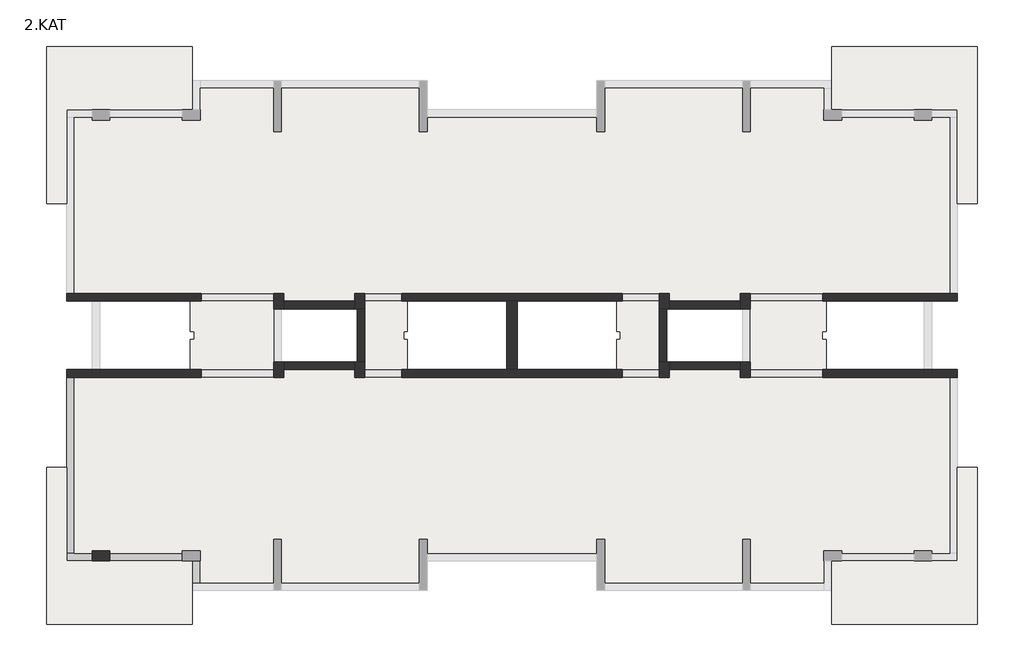
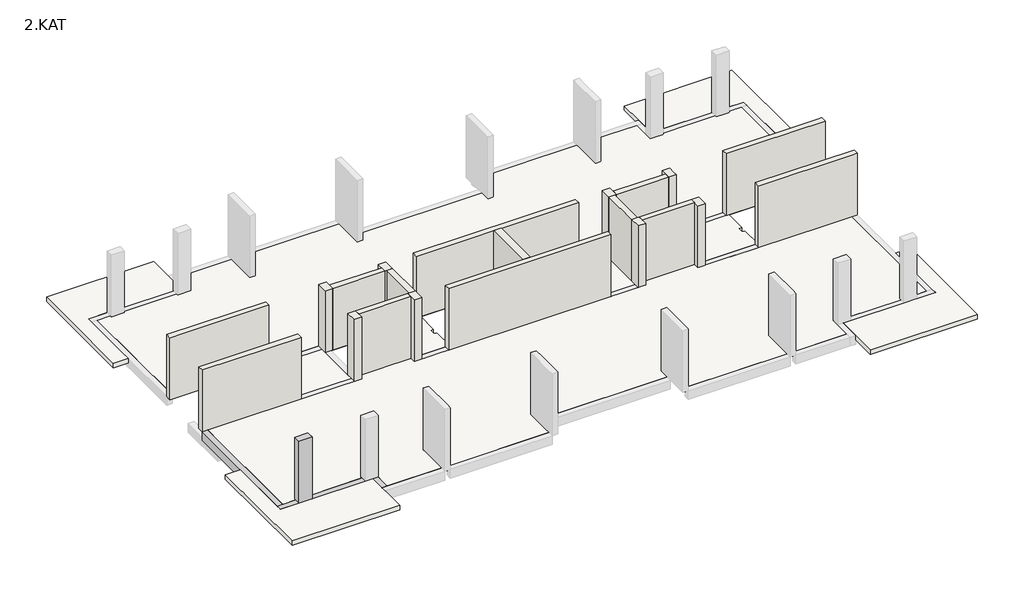
# One storey, part 1 of 2: 21 walls, 10 slabs, 4 beams, 1 column.
"""IFC4 building model written with IfcOpenShell, lengths in millimetres."""

from ifc_helpers import new_model, si_unit, frame, origin, place, context, project, spatial, polyline, outline, extrude, faceted_brep, element, save

model = new_model("IFC4")

# Units and contexts
model_context = context("Model", 3, world=origin())
ifc_project = project(units=[si_unit("LENGTHUNIT", "METRE", prefix="MILLI")], contexts=[model_context])

# Site, building, storey
site = spatial("IfcSite", under=ifc_project)
building = spatial("IfcBuilding", under=site)
storey = spatial("IfcBuildingStorey", under=building, Name="2.KAT", Elevation=6500.0)

# Beams
placement = place(None, origin())
element("IfcBeam", 1, ObjectType="0300x0500mm", at=placement, inside=storey, context=model_context, shape_type="Brep", body=[
    faceted_brep([(-12313.9158247, -6936.2658194, 6500.0), (-12313.9158247, -7786.2657952, 6500.0), (-12013.9158247, -7786.2657952, 6500.0), (-12013.9158247, -6936.2658194, 6500.0), (-12013.9158247, -7786.2657952, 6250.0), (-12013.9158247, -7786.2657952, 6000.0), (-12013.9158247, -6936.2658194, 6000.0), (-12013.9158247, -6936.2658194, 6250.0), (-12313.9158247, -7786.2657952, 6000.0), (-12313.9158247, -6936.2658194, 6000.0)], [[[0, 1, 2, 3]], [[3, 2, 4, 5, 6, 7]], [[6, 5, 8, 9]], [[1, 0, 9, 8]], [[2, 1, 8, 5, 4]], [[0, 3, 7, 6, 9]]]),
])
element("IfcBeam", 2, ObjectType="0300x0500mm", at=placement, inside=storey, context=model_context, shape_type="Brep", body=[
    faceted_brep([(-15563.9158246, -6936.2657952, 6500.0), (-12713.9143553, -6936.2657952, 6500.0), (-12713.9143553, -6636.2657952, 6500.0), (-15563.9158246, -6636.2657952, 6500.0), (-12713.9143553, -6636.2657952, 6250.0), (-12713.9143553, -6636.2657952, 6000.0), (-15563.9158246, -6636.2657952, 6000.0), (-15563.9158246, -6636.2657952, 6250.0), (-12713.9143553, -6936.2657952, 6000.0), (-15563.9158246, -6936.2657952, 6000.0), (-15563.9158246, -6936.2657952, 6250.0), (-12713.9143553, -6936.2657952, 6250.0)], [[[0, 1, 2, 3]], [[3, 2, 4, 5, 6, 7]], [[6, 5, 8, 9]], [[1, 0, 10, 9, 8, 11]], [[0, 3, 7, 6, 9, 10]], [[8, 5, 4, 2, 1, 11]]]),
])
element("IfcBeam", 3, ObjectType="0300x0500mm", at=placement, inside=storey, context=model_context, shape_type="Brep", body=[
    faceted_brep([(-17263.9481409, -6936.2657952, 6500.0), (-16263.9481409, -6936.2657952, 6500.0), (-16263.9481409, -6636.2657952, 6500.0), (-16963.9160614, -6636.2657952, 6500.0), (-17263.9481409, -6636.2657952, 6500.0), (-16263.9481409, -6636.2657952, 6000.0), (-16963.9481409, -6636.2657952, 6000.0), (-17263.9481409, -6636.2657952, 6000.0), (-17263.9481409, -6636.2657952, 6250.0), (-16263.9481409, -6636.2657952, 6250.0), (-16263.9481409, -6936.2657952, 6000.0), (-17263.9481409, -6936.2657952, 6000.0), (-17263.9481409, -6936.2657952, 6250.0), (-16263.9481409, -6936.2657952, 6250.0)], [[[0, 1, 2, 3, 4]], [[5, 6, 7, 8, 4, 3, 2, 9]], [[7, 6, 5, 10, 11]], [[1, 0, 12, 11, 10, 13]], [[0, 4, 8, 7, 11, 12]], [[10, 5, 9, 2, 1, 13]]]),
])
element("IfcBeam", 4, ObjectType="0300x0500mm", at=placement, inside=storey, context=model_context, shape_type="Brep", body=[
    faceted_brep([(-17263.9481409, 313.2341948, 6500.0), (-16963.9481409, 313.2341948, 6500.0), (-16963.9481409, 313.2341948, 6000.0), (-17263.9481409, 313.2341948, 6000.0), (-17263.9481409, -3236.2658285, 6500.0), (-17263.9481409, -6636.2657952, 6500.0), (-16963.9481409, -6636.2657952, 6500.0), (-16963.9481409, -6636.2657952, 6250.0), (-16963.9481409, -6636.2657952, 6000.0), (-17263.9481409, -6636.2657952, 6000.0), (-17263.9481409, -6636.2657952, 6250.0)], [[[0, 1, 2, 3]], [[1, 0, 4, 5, 6]], [[2, 1, 6, 7, 8]], [[3, 2, 8, 9]], [[0, 3, 9, 10, 5, 4]], [[6, 5, 10, 9, 8, 7]]]),
])

# Column
element("IfcColumn", 5, ObjectType="0700x0400mm", at=placement, inside=storey, context=model_context, shape_type="Brep", body=[
    faceted_brep([(-15563.9481409, -6536.2657952, 6500.0), (-15563.9481409, -6936.2657952, 6500.0), (-16263.9481409, -6936.2657952, 6500.0), (-16263.9481409, -6536.2657952, 6500.0), (-15563.9481409, -6536.2657952, 9750.0), (-15563.9481409, -6536.2657952, 10000.0), (-15563.9481409, -6636.2657952, 10000.0), (-15563.9481409, -6936.2657952, 10000.0), (-16263.9481409, -6936.2657952, 10000.0), (-16263.9481409, -6636.2657952, 10000.0), (-16263.9481409, -6536.2657952, 10000.0), (-16263.9481409, -6536.2657952, 9750.0)], [[[0, 1, 2, 3]], [[1, 0, 4, 5, 6, 7]], [[2, 1, 7, 8]], [[3, 2, 8, 9, 10, 11]], [[0, 3, 11, 10, 5, 4]], [[8, 7, 6, 5, 10, 9]]]),
])

# Slabs
element("IfcSlab", 6, at=placement, inside=storey, context=model_context, shape_type="Brep", body=[
    faceted_brep([(-16263.9481409, 10563.7341698, 6250.0), (-16263.9481409, 10463.7341838, 6250.0), (-15563.9481409, 10463.7341838, 6250.0), (-15563.9481409, 10563.7341698, 6250.0), (-12713.9481409, 10563.7341698, 6250.0), (-12713.9481409, 10463.7341838, 6250.0), (-12013.9481409, 10463.7341838, 6250.0), (-12013.9481409, 11713.7202154, 6250.0), (-9113.9486144, 11713.7202154, 6250.0), (-9113.9486144, 10013.7339375, 6250.0), (-8813.9486144, 10013.7339375, 6250.0), (-8813.9486144, 11713.7202154, 6250.0), (-3363.9486144, 11713.7202154, 6250.0), (-3363.9486144, 10013.7339375, 6250.0), (-3063.9486144, 10013.7339375, 6250.0), (-3063.9486144, 10563.7341837, 6250.0), (3636.0846397, 10563.7341837, 6250.0), (3636.0846397, 10013.7339375, 6250.0), (3936.0846397, 10013.7339375, 6250.0), (3936.0846397, 11713.7202154, 6250.0), (9386.0513856, 11713.7202154, 6250.0), (9386.0513856, 10013.7339375, 6250.0), (9686.0513856, 10013.7339375, 6250.0), (9686.0513856, 11713.7202154, 6250.0), (12586.0195429, 11713.7202154, 6250.0), (12586.0195429, 10463.7341838, 6250.0), (13286.0518591, 10463.7341838, 6250.0), (13286.0518591, 10563.7341837, 6250.0), (16136.0518591, 10563.7341837, 6250.0), (16136.0518591, 10463.7341838, 6250.0), (16836.0518591, 10463.7341838, 6250.0), (16836.0518591, 10563.7341837, 6250.0), (17536.0197797, 10563.7341837, 6250.0), (17536.0197797, 3613.7341837, 6250.0), (9286.0513856, 3613.7341837, 6250.0), (9286.0513856, 3313.7509789, 6250.0), (6486.0513856, 3313.7509789, 6250.0), (6486.0513856, 3613.7341837, 6250.0), (-5913.9486144, 3613.7341837, 6250.0), (-5913.9486144, 3313.7471696, 6250.0), (-8713.9486144, 3313.7471696, 6250.0), (-8713.9486144, 3613.7341837, 6250.0), (-16963.9481409, 3613.7341837, 6250.0), (-16963.9481409, 10563.7341698, 6250.0), (-16263.9481409, 10563.7341698, 6500.0), (-16963.9481409, 10563.7341698, 6500.0), (-16963.9481409, 3613.7341837, 6500.0), (-8713.9486144, 3613.7341837, 6500.0), (-8713.9486144, 3313.7471696, 6500.0), (-5913.9486144, 3313.7471696, 6500.0), (-5913.9486144, 3613.7341837, 6500.0), (6486.0513856, 3613.7341837, 6500.0), (6486.0513856, 3313.7509789, 6500.0), (9286.0513856, 3313.7509789, 6500.0), (9286.0513856, 3613.7341837, 6500.0), (17536.0197797, 3613.7341837, 6500.0), (17536.0197797, 10563.7341837, 6500.0), (16836.0518591, 10563.7341837, 6500.0), (16836.0518591, 10463.7341838, 6500.0), (16136.0518591, 10463.7341838, 6500.0), (16136.0518591, 10563.7341837, 6500.0), (13286.0518591, 10563.7341837, 6500.0), (13286.0518591, 10463.7341838, 6500.0), (12586.0195429, 10463.7341838, 6500.0), (12586.0195429, 10863.734431, 6500.0), (12586.0195429, 11713.7202154, 6500.0), (9686.0513856, 11713.7202154, 6500.0), (9686.0513856, 10013.7339375, 6500.0), (9386.0513856, 10013.7339375, 6500.0), (9386.0513856, 11713.7202154, 6500.0), (3936.0846397, 11713.7202154, 6500.0), (3936.0846397, 10013.7339375, 6500.0), (3636.0846397, 10013.7339375, 6500.0), (3636.0846397, 10563.7341837, 6500.0), (-3063.9486144, 10563.7341837, 6500.0), (-3063.9486144, 10013.7339375, 6500.0), (-3363.9486144, 10013.7339375, 6500.0), (-3363.9486144, 11713.7202154, 6500.0), (-8813.9486144, 11713.7202154, 6500.0), (-8813.9486144, 10013.7339375, 6500.0), (-9113.9486144, 10013.7339375, 6500.0), (-9113.9486144, 11713.7202154, 6500.0), (-12013.9481409, 11713.7202154, 6500.0), (-12013.9481409, 10863.7341752, 6500.0), (-12013.9481409, 10463.7341838, 6500.0), (-12713.9481409, 10463.7341838, 6500.0), (-12713.9481409, 10563.7341698, 6500.0), (-15563.9481409, 10563.7341698, 6500.0), (-15563.9481409, 10463.7341838, 6500.0), (-16263.9481409, 10463.7341838, 6500.0)], [[[0, 1, 2, 3, 4, 5, 6, 7, 8, 9, 10, 11, 12, 13, 14, 15, 16, 17, 18, 19, 20, 21, 22, 23, 24, 25, 26, 27, 28, 29, 30, 31, 32, 33, 34, 35, 36, 37, 38, 39, 40, 41, 42, 43]], [[44, 45, 46, 47, 48, 49, 50, 51, 52, 53, 54, 55, 56, 57, 58, 59, 60, 61, 62, 63, 64, 65, 66, 67, 68, 69, 70, 71, 72, 73, 74, 75, 76, 77, 78, 79, 80, 81, 82, 83, 84, 85, 86, 87, 88, 89]], [[1, 0, 44, 89]], [[2, 1, 89, 88]], [[3, 2, 88, 87]], [[4, 3, 87, 86]], [[5, 4, 86, 85]], [[6, 5, 85, 84]], [[7, 6, 84, 83, 82]], [[8, 7, 82, 81]], [[9, 8, 81, 80]], [[10, 9, 80, 79]], [[11, 10, 79, 78]], [[12, 11, 78, 77]], [[13, 12, 77, 76]], [[14, 13, 76, 75]], [[15, 14, 75, 74]], [[16, 15, 74, 73]], [[17, 16, 73, 72]], [[18, 17, 72, 71]], [[19, 18, 71, 70]], [[20, 19, 70, 69]], [[21, 20, 69, 68]], [[22, 21, 68, 67]], [[23, 22, 67, 66]], [[24, 23, 66, 65]], [[25, 24, 65, 64, 63]], [[26, 25, 63, 62]], [[27, 26, 62, 61]], [[28, 27, 61, 60]], [[29, 28, 60, 59]], [[30, 29, 59, 58]], [[31, 30, 58, 57]], [[32, 31, 57, 56]], [[33, 32, 56, 55]], [[34, 33, 55, 54]], [[35, 34, 54, 53]], [[36, 35, 53, 52]], [[37, 36, 52, 51]], [[38, 37, 51, 50]], [[39, 38, 50, 49]], [[40, 39, 49, 48]], [[41, 40, 48, 47]], [[42, 41, 47, 46]], [[43, 42, 46, 45]], [[0, 43, 45, 44]]]),
])
element("IfcSlab", 7, at=placement, inside=storey, context=model_context, shape_type="Brep", body=[
    faceted_brep([(-8713.9486144, 313.7342048, 6250.0), (-8713.9486144, 613.7303849, 6250.0), (-5913.9486144, 613.7303849, 6250.0), (-5913.9486144, 313.7391534, 6250.0), (6486.0513856, 313.7391534, 6250.0), (6486.0513856, 613.7391534, 6250.0), (9286.0513856, 613.7391534, 6250.0), (9286.0513856, 313.7342048, 6250.0), (17536.0197797, 313.7342048, 6250.0), (17536.0197797, -6636.2658004, 6250.0), (16836.0518591, -6636.2658004, 6250.0), (16836.0518591, -6536.2657952, 6250.0), (16136.0518591, -6536.2657952, 6250.0), (16136.0518591, -6636.2658004, 6250.0), (13286.0518591, -6636.2658004, 6250.0), (13286.0518591, -6536.2657952, 6250.0), (12586.0518591, -6536.2657952, 6250.0), (12586.0518591, -7786.2657952, 6250.0), (9686.0513856, -7786.2657952, 6250.0), (9686.0513856, -6086.2657952, 6250.0), (9386.0513856, -6086.2657952, 6250.0), (9386.0513856, -7786.2657952, 6250.0), (3936.0846397, -7786.2657952, 6250.0), (3936.0846397, -6086.2657952, 6250.0), (3636.0846397, -6086.2657952, 6250.0), (3636.0846397, -6636.2657952, 6250.0), (-3063.9486144, -6636.2657952, 6250.0), (-3063.9486144, -6086.2657952, 6250.0), (-3363.9486144, -6086.2657952, 6250.0), (-3363.9486144, -7786.2657952, 6250.0), (-8813.9486144, -7786.2657952, 6250.0), (-8813.9486144, -6086.2657952, 6250.0), (-9113.9486144, -6086.2657952, 6250.0), (-9113.9486144, -7786.2657952, 6250.0), (-12013.9158247, -7786.2657952, 6250.0), (-12013.9158247, -6536.2657952, 6250.0), (-12713.9481409, -6536.2657952, 6250.0), (-12713.9481409, -6636.2657952, 6250.0), (-15563.9481409, -6636.2657952, 6250.0), (-15563.9481409, -6536.2657952, 6250.0), (-16263.9481409, -6536.2657952, 6250.0), (-16263.9481409, -6636.2657952, 6250.0), (-16963.9160614, -6636.2657952, 6250.0), (-16963.9160614, 313.7342048, 6250.0), (-8713.9486144, 313.7342048, 6500.0), (-16963.9160614, 313.7342048, 6500.0), (-16963.9160614, 313.2341948, 6500.0), (-16963.9160614, -6636.2657952, 6500.0), (-16263.9481409, -6636.2657952, 6500.0), (-16263.9481409, -6536.2657952, 6500.0), (-15563.9481409, -6536.2657952, 6500.0), (-15563.9481409, -6636.2657952, 6500.0), (-12713.9481409, -6636.2657952, 6500.0), (-12713.9481409, -6536.2657952, 6500.0), (-12013.9158247, -6536.2657952, 6500.0), (-12013.9158247, -6936.2658194, 6500.0), (-12013.9158247, -7786.2657952, 6500.0), (-9113.9486144, -7786.2657952, 6500.0), (-9113.9486144, -6086.2657952, 6500.0), (-8813.9486144, -6086.2657952, 6500.0), (-8813.9486144, -7786.2657952, 6500.0), (-3363.9486144, -7786.2657952, 6500.0), (-3363.9486144, -6086.2657952, 6500.0), (-3063.9486144, -6086.2657952, 6500.0), (-3063.9486144, -6636.2657952, 6500.0), (3636.0846397, -6636.2657952, 6500.0), (3636.0846397, -6086.2657952, 6500.0), (3936.0846397, -6086.2657952, 6500.0), (3936.0846397, -7786.2657952, 6500.0), (9386.0513856, -7786.2657952, 6500.0), (9386.0513856, -6086.2657952, 6500.0), (9686.0513856, -6086.2657952, 6500.0), (9686.0513856, -7786.2657952, 6500.0), (12586.0518591, -7786.2657952, 6500.0), (12586.0518591, -6936.2657952, 6500.0), (12586.0518591, -6536.2657952, 6500.0), (13286.0518591, -6536.2657952, 6500.0), (13286.0518591, -6636.2658004, 6500.0), (16136.0518591, -6636.2658004, 6500.0), (16136.0518591, -6536.2657952, 6500.0), (16836.0518591, -6536.2657952, 6500.0), (16836.0518591, -6636.2658004, 6500.0), (17536.0197797, -6636.2658004, 6500.0), (17536.0197797, 313.7342048, 6500.0), (9286.0513856, 313.7342048, 6500.0), (9286.0513856, 613.7391534, 6500.0), (6486.0513856, 613.7391534, 6500.0), (6486.0513856, 313.7391534, 6500.0), (-5913.9486144, 313.7391534, 6500.0), (-5913.9486144, 613.7303849, 6500.0), (-8713.9486144, 613.7303849, 6500.0)], [[[0, 1, 2, 3, 4, 5, 6, 7, 8, 9, 10, 11, 12, 13, 14, 15, 16, 17, 18, 19, 20, 21, 22, 23, 24, 25, 26, 27, 28, 29, 30, 31, 32, 33, 34, 35, 36, 37, 38, 39, 40, 41, 42, 43]], [[44, 45, 46, 47, 48, 49, 50, 51, 52, 53, 54, 55, 56, 57, 58, 59, 60, 61, 62, 63, 64, 65, 66, 67, 68, 69, 70, 71, 72, 73, 74, 75, 76, 77, 78, 79, 80, 81, 82, 83, 84, 85, 86, 87, 88, 89, 90]], [[1, 0, 44, 90]], [[2, 1, 90, 89]], [[3, 2, 89, 88]], [[4, 3, 88, 87]], [[5, 4, 87, 86]], [[6, 5, 86, 85]], [[7, 6, 85, 84]], [[8, 7, 84, 83]], [[9, 8, 83, 82]], [[10, 9, 82, 81]], [[11, 10, 81, 80]], [[12, 11, 80, 79]], [[13, 12, 79, 78]], [[14, 13, 78, 77]], [[15, 14, 77, 76]], [[16, 15, 76, 75]], [[17, 16, 75, 74, 73]], [[18, 17, 73, 72]], [[19, 18, 72, 71]], [[20, 19, 71, 70]], [[21, 20, 70, 69]], [[22, 21, 69, 68]], [[23, 22, 68, 67]], [[24, 23, 67, 66]], [[25, 24, 66, 65]], [[26, 25, 65, 64]], [[27, 26, 64, 63]], [[28, 27, 63, 62]], [[29, 28, 62, 61]], [[30, 29, 61, 60]], [[31, 30, 60, 59]], [[32, 31, 59, 58]], [[33, 32, 58, 57]], [[34, 33, 57, 56]], [[35, 34, 56, 55, 54]], [[36, 35, 54, 53]], [[37, 36, 53, 52]], [[38, 37, 52, 51]], [[39, 38, 51, 50]], [[40, 39, 50, 49]], [[41, 40, 49, 48]], [[42, 41, 48, 47]], [[43, 42, 47, 46, 45]], [[0, 43, 45, 44]]]),
])
element("IfcSlab", 8, at=placement, inside=storey, context=model_context, shape_type="Brep", body=[
    faceted_brep([(-12313.9158961, 13363.7342649, 6250.0), (-12313.9158961, 10863.7341698, 6250.0), (-17263.9481409, 10863.7341698, 6250.0), (-17263.9481409, 7163.7341979, 6250.0), (-18063.9156041, 7163.7341979, 6250.0), (-18063.9156041, 13363.7342649, 6250.0), (-12313.9158961, 13363.7342649, 6500.0), (-18063.9156041, 13363.7342649, 6500.0), (-18063.9156041, 7163.7341979, 6500.0), (-17263.9481409, 7163.7341979, 6500.0), (-17263.9481409, 10563.7341837, 6500.0), (-17263.9481409, 10863.7341698, 6500.0), (-16263.9143553, 10863.7341698, 6500.0), (-15563.9158246, 10863.7341698, 6500.0), (-12713.9143553, 10863.7341698, 6500.0), (-12313.9158961, 10863.7341698, 6500.0), (-12313.9158961, 12013.7202154, 6500.0)], [[[0, 1, 2, 3, 4, 5]], [[6, 7, 8, 9, 10, 11, 12, 13, 14, 15, 16]], [[1, 0, 6, 16, 15]], [[2, 1, 15, 14, 13, 12, 11]], [[3, 2, 11, 10, 9]], [[4, 3, 9, 8]], [[5, 4, 8, 7]], [[0, 5, 7, 6]]]),
])
element("IfcSlab", 9, at=placement, inside=storey, context=model_context, shape_type="Brep", body=[
    faceted_brep([(-9113.9486144, 3313.7341837, 6250.0), (-9113.9486144, 613.7342048, 6250.0), (-12393.9153604, 613.7342048, 6250.0), (-12393.9153604, 1813.7341847, 6250.0), (-12243.9153604, 1813.7341847, 6250.0), (-12243.9153604, 2113.7341847, 6250.0), (-12393.9153604, 2113.7341847, 6250.0), (-12393.9153604, 3313.7341837, 6250.0), (-9113.9486144, 3313.7341837, 6500.0), (-12393.9153604, 3313.7341837, 6500.0), (-12393.9153604, 2113.7341847, 6500.0), (-12243.9153604, 2113.7341847, 6500.0), (-12243.9153604, 1813.7341847, 6500.0), (-12393.9153604, 1813.7341847, 6500.0), (-12393.9153604, 613.7342048, 6500.0), (-9113.9486144, 613.7342048, 6500.0), (-9113.9486144, 913.7387772, 6500.0), (-9113.9486144, 3013.7387772, 6500.0)], [[[0, 1, 2, 3, 4, 5, 6, 7]], [[8, 9, 10, 11, 12, 13, 14, 15, 16, 17]], [[1, 0, 8, 17, 16, 15]], [[2, 1, 15, 14]], [[3, 2, 14, 13]], [[0, 7, 9, 8]], [[4, 3, 13, 12]], [[5, 4, 12, 11]], [[6, 5, 11, 10]], [[7, 6, 10, 9]]]),
])
element("IfcSlab", 10, at=placement, inside=storey, context=model_context, shape_type="Brep", body=[
    faceted_brep([(9686.0513856, 3313.7341837, 6250.0), (12666.0846401, 3313.7341837, 6250.0), (12666.0846401, 2113.7341847, 6250.0), (12516.0846401, 2113.7341847, 6250.0), (12516.0846401, 1813.7341847, 6250.0), (12666.0846401, 1813.7341847, 6250.0), (12666.0846401, 613.7391534, 6250.0), (9686.0513856, 613.7391534, 6250.0), (9686.0513856, 3313.7341837, 6500.0), (9686.0513856, 3013.2298782, 6500.0), (9686.0513856, 914.2298782, 6500.0), (9686.0513856, 613.7391534, 6500.0), (12666.0846401, 613.7391534, 6500.0), (12666.0846401, 1813.7341847, 6500.0), (12516.0846401, 1813.7341847, 6500.0), (12516.0846401, 2113.7341847, 6500.0), (12666.0846401, 2113.7341847, 6500.0), (12666.0846401, 3313.7341837, 6500.0)], [[[0, 1, 2, 3, 4, 5, 6, 7]], [[8, 9, 10, 11, 12, 13, 14, 15, 16, 17]], [[0, 7, 11, 10, 9, 8]], [[7, 6, 12, 11]], [[6, 5, 13, 12]], [[1, 0, 8, 17]], [[5, 4, 14, 13]], [[4, 3, 15, 14]], [[3, 2, 16, 15]], [[2, 1, 17, 16]]]),
])
element("IfcSlab", 11, at=placement, inside=storey, context=model_context, shape_type="Brep", body=[
    faceted_brep([(-5513.9470928, 3313.7352433, 6250.0), (-3833.9153602, 3313.7352433, 6250.0), (-3833.9153602, 2113.7341847, 6250.0), (-3983.9153602, 2113.7341847, 6250.0), (-3983.9153602, 1813.7341847, 6250.0), (-3833.9153602, 1813.7341847, 6250.0), (-3833.9153602, 613.7381043, 6250.0), (-5513.9470928, 613.7381043, 6250.0), (-5513.9470928, 3313.7352433, 6500.0), (-5513.9470928, 613.7381043, 6500.0), (-4064.9486144, 613.7381043, 6500.0), (-3833.9153602, 613.7381043, 6500.0), (-3833.9153602, 1813.7341847, 6500.0), (-3983.9153602, 1813.7341847, 6500.0), (-3983.9153602, 2113.7341847, 6500.0), (-3833.9153602, 2113.7341847, 6500.0), (-3833.9153602, 3313.7352433, 6500.0), (-4064.9486144, 3313.7352433, 6500.0)], [[[0, 1, 2, 3, 4, 5, 6, 7]], [[8, 9, 10, 11, 12, 13, 14, 15, 16, 17]], [[1, 0, 8, 17, 16]], [[2, 1, 16, 15]], [[3, 2, 15, 14]], [[4, 3, 14, 13]], [[5, 4, 13, 12]], [[6, 5, 12, 11]], [[7, 6, 11, 10, 9]], [[0, 7, 9, 8]]]),
])
element("IfcSlab", 12, at=placement, inside=storey, context=model_context, shape_type="Brep", body=[
    faceted_brep([(6086.0498641, 3313.7352433, 6250.0), (6086.0498641, 613.7381043, 6250.0), (4406.0181314, 613.7381043, 6250.0), (4406.0181314, 1813.7341847, 6250.0), (4556.0181314, 1813.7341847, 6250.0), (4556.0181314, 2113.7341847, 6250.0), (4406.0181314, 2113.7341847, 6250.0), (4406.0181314, 3313.7352433, 6250.0), (6086.0498641, 3313.7352433, 6500.0), (6085.5514079, 3313.7352433, 6500.0), (4636.5514079, 3313.7352433, 6500.0), (4406.0181314, 3313.7352433, 6500.0), (4406.0181314, 2113.7341847, 6500.0), (4556.0181314, 2113.7341847, 6500.0), (4556.0181314, 1813.7341847, 6500.0), (4406.0181314, 1813.7341847, 6500.0), (4406.0181314, 613.7381043, 6500.0), (4636.5514079, 613.7381043, 6500.0), (6085.5514079, 613.7381043, 6500.0), (6086.0498641, 613.7381043, 6500.0)], [[[0, 1, 2, 3, 4, 5, 6, 7]], [[8, 9, 10, 11, 12, 13, 14, 15, 16, 17, 18, 19]], [[0, 7, 11, 10, 9, 8]], [[7, 6, 12, 11]], [[6, 5, 13, 12]], [[5, 4, 14, 13]], [[4, 3, 15, 14]], [[3, 2, 16, 15]], [[2, 1, 19, 18, 17, 16]], [[1, 0, 8, 19]]]),
])
element("IfcSlab", 13, at=placement, inside=storey, context=model_context, shape_type="Brep", body=[
    faceted_brep([(-12313.9158961, -9436.2658954, 6250.0), (-18063.9156041, -9436.2658954, 6250.0), (-18063.9156041, -3236.2658285, 6250.0), (-17263.9481409, -3236.2658285, 6250.0), (-17263.9481409, -6936.2658004, 6250.0), (-12313.9158961, -6936.2658004, 6250.0), (-12313.9158961, -9436.2658954, 6500.0), (-12313.9158961, -8086.2657952, 6500.0), (-12313.9158961, -7786.2657952, 6500.0), (-12313.9158961, -6936.2658004, 6500.0), (-12713.9143553, -6936.2658004, 6500.0), (-15563.9158246, -6936.2658004, 6500.0), (-16263.9481409, -6936.2658004, 6500.0), (-17263.9481409, -6936.2658004, 6500.0), (-17263.9481409, -6636.2657952, 6500.0), (-17263.9481409, -3236.2658285, 6500.0), (-18063.9156041, -3236.2658285, 6500.0), (-18063.9156041, -9436.2658954, 6500.0)], [[[0, 1, 2, 3, 4, 5]], [[6, 7, 8, 9, 10, 11, 12, 13, 14, 15, 16, 17]], [[0, 5, 9, 8, 7, 6]], [[5, 4, 13, 12, 11, 10, 9]], [[4, 3, 15, 14, 13]], [[3, 2, 16, 15]], [[2, 1, 17, 16]], [[1, 0, 6, 17]]]),
])
element("IfcSlab", 14, at=placement, inside=storey, context=model_context, shape_type="Brep", body=[
    faceted_brep([(12886.0186674, 13363.7342649, 6250.0), (18636.0183754, 13363.7342649, 6250.0), (18636.0183754, 7163.7341979, 6250.0), (17836.0509121, 7163.7341979, 6250.0), (17836.0509121, 10863.7341698, 6250.0), (12886.0186674, 10863.7341698, 6250.0), (12886.0186674, 13363.7342649, 6500.0), (12886.0186674, 12013.7202154, 6500.0), (12886.0186674, 11713.7202154, 6500.0), (12886.0186674, 10863.7341698, 6500.0), (13286.0518591, 10863.7341698, 6500.0), (16136.0518591, 10863.7341698, 6500.0), (16836.0513856, 10863.7341698, 6500.0), (17836.0509121, 10863.7341698, 6500.0), (17836.0509121, 10563.7341752, 6500.0), (17836.0509121, 7163.7341979, 6500.0), (18636.0183754, 7163.7341979, 6500.0), (18636.0183754, 13363.7342649, 6500.0)], [[[0, 1, 2, 3, 4, 5]], [[6, 7, 8, 9, 10, 11, 12, 13, 14, 15, 16, 17]], [[0, 5, 9, 8, 7, 6]], [[5, 4, 13, 12, 11, 10, 9]], [[4, 3, 15, 14, 13]], [[3, 2, 16, 15]], [[2, 1, 17, 16]], [[1, 0, 6, 17]]]),
])
element("IfcSlab", 15, at=placement, inside=storey, context=model_context, shape_type="Brep", body=[
    faceted_brep([(12886.0186674, -9436.2658954, 6250.0), (12886.0186674, -6936.2658004, 6250.0), (17836.0509121, -6936.2658004, 6250.0), (17836.0509121, -3236.2658285, 6250.0), (18636.0183754, -3236.2658285, 6250.0), (18636.0183754, -9436.2658954, 6250.0), (12886.0186674, -9436.2658954, 6500.0), (18636.0183754, -9436.2658954, 6500.0), (18636.0183754, -3236.2658285, 6500.0), (17836.0509121, -3236.2658285, 6500.0), (17836.0509121, -6636.2658004, 6500.0), (17836.0509121, -6936.2658004, 6500.0), (16836.0222612, -6936.2658004, 6500.0), (16136.0518591, -6936.2658004, 6500.0), (13286.0518591, -6936.2658004, 6500.0), (12886.0186674, -6936.2658004, 6500.0), (12886.0186674, -8086.2529125, 6500.0)], [[[0, 1, 2, 3, 4, 5]], [[6, 7, 8, 9, 10, 11, 12, 13, 14, 15, 16]], [[1, 0, 6, 16, 15]], [[2, 1, 15, 14, 13, 12, 11]], [[3, 2, 11, 10, 9]], [[4, 3, 9, 8]], [[5, 4, 8, 7]], [[0, 5, 7, 6]]]),
])

# Walls
element("IfcWall", 16, at=placement, inside=storey, context=model_context, shape_type="SweptSolid", body=[
    extrude(outline(polyline([(-11963.9481409, 3313.7341847), (-17263.9481409, 3313.7341847), (-17263.9481409, 3613.7341847), (-11963.9481409, 3613.7341847), (-11963.9481409, 3313.7341847)])), frame((0.0, 0.0, 6500.0), z_axis=(0.0, 0.0, 1.0), x_axis=(1.0, 0.0, 0.0)), (0.0, 0.0, 1.0), 3500.0),
])
element("IfcWall", 17, at=placement, inside=storey, context=model_context, shape_type="SweptSolid", body=[
    extrude(outline(polyline([(-11963.9481409, 313.7341847), (-17263.9481409, 313.7341847), (-17263.9481409, 613.7341847), (-11963.9481409, 613.7341847), (-11963.9481409, 313.7341847)])), frame((0.0, 0.0, 6500.0), z_axis=(0.0, 0.0, 1.0), x_axis=(1.0, 0.0, 0.0)), (0.0, 0.0, 1.0), 3500.0),
])
element("IfcWall", 18, at=placement, inside=storey, context=model_context, shape_type="SweptSolid", body=[
    extrude(outline(polyline([(-5913.9424155, 3013.7471696), (-8713.9486144, 3013.7471696), (-8713.9486144, 3313.7471696), (-5913.9424155, 3313.7471696), (-5913.9424155, 3013.7471696)])), frame((0.0, 0.0, 6500.0), z_axis=(0.0, 0.0, 1.0), x_axis=(1.0, 0.0, 0.0)), (0.0, 0.0, 1.0), 3500.0),
])
element("IfcWall", 19, at=placement, inside=storey, context=model_context, shape_type="SweptSolid", body=[
    extrude(outline(polyline([(-5813.9486144, 913.7303849), (-5813.9486144, 3013.7471696), (-5513.9486144, 3013.7471696), (-5513.9486144, 913.7303849), (-5813.9486144, 913.7303849)])), frame((0.0, 0.0, 6500.0), z_axis=(0.0, 0.0, 1.0), x_axis=(1.0, 0.0, 0.0)), (0.0, 0.0, 1.0), 3500.0),
])
element("IfcWall", 20, at=placement, inside=storey, context=model_context, shape_type="SweptSolid", body=[
    extrude(outline(polyline([(-8713.9486144, 913.7303849), (-5913.9424155, 913.7303849), (-5913.9424155, 613.7303849), (-8713.9486144, 613.7303849), (-8713.9486144, 913.7303849)])), frame((0.0, 0.0, 6500.0), z_axis=(0.0, 0.0, 1.0), x_axis=(1.0, 0.0, 0.0)), (0.0, 0.0, 1.0), 3500.0),
])
element("IfcWall", 21, at=placement, inside=storey, context=model_context, shape_type="SweptSolid", body=[
    extrude(outline(polyline([(4636.0514302, 3313.7341837), (-4063.9498095, 3313.7341837), (-4063.9498095, 3613.7341837), (4636.0514302, 3613.7341837), (4636.0514302, 3313.7341837)])), frame((0.0, 0.0, 6500.0), z_axis=(0.0, 0.0, 1.0), x_axis=(1.0, 0.0, 0.0)), (0.0, 0.0, 1.0), 3500.0),
])
element("IfcWall", 22, at=placement, inside=storey, context=model_context, shape_type="SweptSolid", body=[
    extrude(outline(polyline([(4636.0514302, 313.7391534), (-4063.9498095, 313.7391534), (-4063.9498095, 613.7391534), (4636.0514302, 613.7391534), (4636.0514302, 313.7391534)])), frame((0.0, 0.0, 6500.0), z_axis=(0.0, 0.0, 1.0), x_axis=(1.0, 0.0, 0.0)), (0.0, 0.0, 1.0), 3500.0),
])
element("IfcWall", 23, at=placement, inside=storey, context=model_context, shape_type="SweptSolid", body=[
    extrude(outline(polyline([(6486.0513856, 3313.7509789), (9286.0515745, 3313.7509789), (9286.0515745, 3013.7509789), (6486.0513856, 3013.7509789), (6486.0513856, 3313.7509789)])), frame((0.0, 0.0, 6500.0), z_axis=(0.0, 0.0, 1.0), x_axis=(1.0, 0.0, 0.0)), (0.0, 0.0, 1.0), 3500.0),
])
element("IfcWall", 24, at=placement, inside=storey, context=model_context, shape_type="SweptSolid", body=[
    extrude(outline(polyline([(6086.0513856, 914.2296306), (6086.0513856, 3013.7509789), (6386.0513856, 3013.7509789), (6386.0513856, 914.2296306), (6086.0513856, 914.2296306)])), frame((0.0, 0.0, 6500.0), z_axis=(0.0, 0.0, 1.0), x_axis=(1.0, 0.0, 0.0)), (0.0, 0.0, 1.0), 3500.0),
])
element("IfcWall", 25, at=placement, inside=storey, context=model_context, shape_type="SweptSolid", body=[
    extrude(outline(polyline([(9286.0515745, 613.7391534), (6486.0513856, 613.7391534), (6486.0513856, 913.7391534), (9286.0515745, 913.7391534), (9286.0515745, 613.7391534)])), frame((0.0, 0.0, 6500.0), z_axis=(0.0, 0.0, 1.0), x_axis=(1.0, 0.0, 0.0)), (0.0, 0.0, 1.0), 3500.0),
])
element("IfcWall", 26, at=placement, inside=storey, context=model_context, shape_type="Brep", body=[
    faceted_brep([(12536.0513856, 3313.7341837, 6500.0), (17836.0513856, 3313.7341837, 6500.0), (17836.0513856, 3313.7341837, 10000.0), (12536.0513856, 3313.7341837, 10000.0), (12536.0513856, 3613.7341837, 6500.0), (12536.0513856, 3613.7341837, 10000.0), (17536.0513856, 3613.7341837, 10000.0), (17836.0513856, 3613.7341837, 10000.0), (17836.0513856, 3613.7341837, 9500.0), (17836.0513856, 3613.7341837, 6500.0)], [[[0, 1, 2, 3]], [[4, 5, 6, 7, 8, 9]], [[1, 0, 4, 9]], [[2, 1, 9, 8, 7]], [[3, 2, 7, 6, 5]], [[0, 3, 5, 4]]]),
])
element("IfcWall", 27, at=placement, inside=storey, context=model_context, shape_type="Brep", body=[
    faceted_brep([(12536.0513856, 313.7391534, 6500.0), (17836.0513856, 313.7391534, 6500.0), (17836.0513856, 313.7391534, 9500.0), (17836.0513856, 313.7391534, 10000.0), (17536.0513856, 313.7391534, 10000.0), (12536.0513856, 313.7391534, 10000.0), (12536.0513856, 613.7391534, 6500.0), (12536.0513856, 613.7391534, 10000.0), (17836.0513856, 613.7391534, 10000.0), (17836.0513856, 613.7391534, 6500.0)], [[[0, 1, 2, 3, 4, 5]], [[6, 7, 8, 9]], [[1, 0, 6, 9]], [[3, 2, 1, 9, 8]], [[5, 4, 3, 8, 7]], [[0, 5, 7, 6]]]),
])
element("IfcWall", 28, at=placement, inside=storey, context=model_context, shape_type="SweptSolid", body=[
    extrude(outline(polyline([(-9113.9486144, 3013.7471696), (-9113.9486144, 3613.7341837), (-8713.9486144, 3613.7341837), (-8713.9486144, 3013.7471696), (-9113.9486144, 3013.7471696)])), frame((0.0, 0.0, 6500.0), z_axis=(0.0, 0.0, 1.0), x_axis=(1.0, 0.0, 0.0)), (0.0, 0.0, 1.0), 3500.0),
])
element("IfcWall", 29, at=placement, inside=storey, context=model_context, shape_type="Brep", body=[
    faceted_brep([(-5513.9424155, 313.7342048, 6500.0), (-5513.9424155, 913.7303849, 6500.0), (-5513.9424155, 913.7303849, 10000.0), (-5513.9424155, 313.7342048, 10000.0), (-5913.9424155, 313.7342048, 6500.0), (-5913.9424155, 313.7342048, 10000.0), (-5913.9424155, 913.7303849, 10000.0), (-5913.9424155, 913.7303849, 6500.0), (-5813.9486144, 913.7303849, 6500.0), (-5813.9486144, 913.7303849, 10000.0)], [[[0, 1, 2, 3]], [[4, 5, 6, 7]], [[1, 0, 4, 7, 8]], [[2, 1, 8, 7, 6, 9]], [[3, 2, 9, 6, 5]], [[0, 3, 5, 4]]]),
])
element("IfcWall", 30, at=placement, inside=storey, context=model_context, shape_type="SweptSolid", body=[
    extrude(outline(polyline([(-9113.9486144, 313.7342048), (-9113.9486144, 913.7303849), (-8713.9486144, 913.7303849), (-8713.9486144, 313.7342048), (-9113.9486144, 313.7342048)])), frame((0.0, 0.0, 6500.0), z_axis=(0.0, 0.0, 1.0), x_axis=(1.0, 0.0, 0.0)), (0.0, 0.0, 1.0), 3500.0),
])
element("IfcWall", 31, at=placement, inside=storey, context=model_context, shape_type="SweptSolid", body=[
    extrude(outline(polyline([(86.0513856, 613.7391534), (86.0513856, 3313.7341837), (486.0513856, 3313.7341837), (486.0513856, 613.7391534), (86.0513856, 613.7391534)])), frame((0.0, 0.0, 6500.0), z_axis=(0.0, 0.0, 1.0), x_axis=(1.0, 0.0, 0.0)), (0.0, 0.0, 1.0), 3500.0),
])
element("IfcWall", 32, at=placement, inside=storey, context=model_context, shape_type="Brep", body=[
    faceted_brep([(6086.0513856, 3613.7341837, 6500.0), (6086.0513856, 3013.7509789, 6500.0), (6086.0513856, 3013.7509789, 10000.0), (6086.0513856, 3613.7341837, 10000.0), (6486.0513856, 3613.7341837, 6500.0), (6486.0513856, 3613.7341837, 10000.0), (6486.0513856, 3013.7509789, 10000.0), (6486.0513856, 3013.7509789, 6500.0), (6386.0513856, 3013.7509789, 6500.0), (6386.0513856, 3013.7509789, 10000.0)], [[[0, 1, 2, 3]], [[4, 5, 6, 7]], [[1, 0, 4, 7, 8]], [[2, 1, 8, 7, 6, 9]], [[3, 2, 9, 6, 5]], [[0, 3, 5, 4]]]),
])
element("IfcWall", 33, at=placement, inside=storey, context=model_context, shape_type="Brep", body=[
    faceted_brep([(9286.0513856, 3613.7341837, 6500.0), (9286.0513856, 3013.7509789, 6500.0), (9286.0513856, 3013.7509789, 10000.0), (9286.0513856, 3613.7341837, 10000.0), (9686.0513856, 3613.7341837, 6500.0), (9686.0513856, 3613.7341837, 10000.0), (9686.0513856, 3313.7341847, 10000.0), (9686.0513856, 3013.7509789, 10000.0), (9686.0513856, 3013.7509789, 6500.0)], [[[0, 1, 2, 3]], [[4, 5, 6, 7, 8]], [[1, 0, 4, 8]], [[2, 1, 8, 7]], [[3, 2, 7, 6, 5]], [[0, 3, 5, 4]]]),
])
element("IfcWall", 34, at=placement, inside=storey, context=model_context, shape_type="SweptSolid", body=[
    extrude(outline(polyline([(9286.0513856, 313.7342048), (9286.0513856, 914.2296306), (9686.0513856, 914.2296306), (9686.0513856, 313.7342048), (9286.0513856, 313.7342048)])), frame((0.0, 0.0, 6500.0), z_axis=(0.0, 0.0, 1.0), x_axis=(1.0, 0.0, 0.0)), (0.0, 0.0, 1.0), 3500.0),
])
element("IfcWall", 35, at=placement, inside=storey, context=model_context, shape_type="Brep", body=[
    faceted_brep([(6086.0513856, 914.2296306, 6500.0), (6086.0513856, 313.7342048, 6500.0), (6086.0513856, 313.7342048, 10000.0), (6086.0513856, 914.2296306, 10000.0), (6486.0513856, 914.2296306, 6500.0), (6486.0513856, 914.2296306, 10000.0), (6486.0513856, 313.7342048, 10000.0), (6486.0513856, 313.7342048, 6500.0), (6386.0513856, 914.2296306, 6500.0), (6386.0513856, 914.2296306, 10000.0)], [[[0, 1, 2, 3]], [[4, 5, 6, 7]], [[1, 0, 8, 4, 7]], [[2, 1, 7, 6]], [[3, 2, 6, 5, 9]], [[0, 3, 9, 5, 4, 8]]]),
])
element("IfcWall", 36, at=placement, inside=storey, context=model_context, shape_type="Brep", body=[
    faceted_brep([(-5913.9424155, 3613.7341837, 6500.0), (-5913.9424155, 3013.7471696, 6500.0), (-5913.9424155, 3013.7471696, 10000.0), (-5913.9424155, 3613.7341837, 10000.0), (-5513.9424155, 3613.7341837, 6500.0), (-5513.9424155, 3613.7341837, 10000.0), (-5513.9424155, 3013.7471696, 10000.0), (-5513.9424155, 3013.7471696, 6500.0), (-5813.9486144, 3013.7471696, 6500.0), (-5813.9486144, 3013.7471696, 10000.0)], [[[0, 1, 2, 3]], [[4, 5, 6, 7]], [[1, 0, 4, 7, 8]], [[2, 1, 8, 7, 6, 9]], [[3, 2, 9, 6, 5]], [[0, 3, 5, 4]]]),
])

save(model, "model.ifc")
